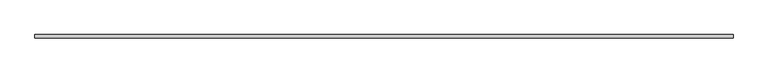
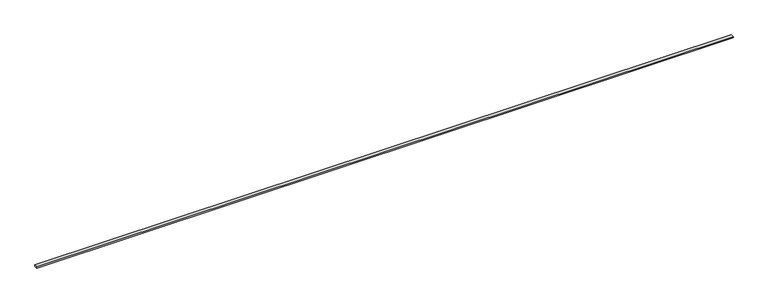
"""IFC4 building model written with IfcOpenShell, lengths in millimetres: beam geometry."""

import ifcopenshell
import ifcopenshell.guid

model = None  # the IFC model being written
_history = None  # IfcOwnerHistory: only IFC2X3 demands one
_inside = {}  # id of a spatial element -> (the spatial element, [elements in it])
_under = {}  # id of a project, library or spatial element -> (it, [spatial elements below it])
_declared = {}  # id of a project -> (the project, [libraries it declares])
_typed = {}  # id of a type object -> (the type object, [elements of that type])
_made_of = {}  # id of a material, layer set ... -> (it, [elements and type objects made of it])


def new_model(schema):
    """Start an empty IFC model of exactly this schema.

    Asked for "IFC4X3", IfcOpenShell would pick the latest addendum, in which some entities
    have other attributes; the version numbers below select the first issue.
    IFC2X3 requires an IfcOwnerHistory on every rooted entity: one is made here for all.
    """
    global model, _history
    if schema == "IFC4X3":
        model = ifcopenshell.file(schema_version=(4, 3, 0, 0))
    else:
        model = ifcopenshell.file(schema=schema)
    _inside.clear()
    _under.clear()
    _declared.clear()
    _typed.clear()
    _made_of.clear()
    _history = None
    if model.schema == "IFC2X3":
        org = make("IfcOrganization", Name="unknown")
        user = make(
            "IfcPersonAndOrganization",
            ThePerson=make("IfcPerson", FamilyName="unknown"),
            TheOrganization=org,
        )
        app = make(
            "IfcApplication",
            ApplicationDeveloper=org,
            Version="unknown",
            ApplicationFullName="unknown",
            ApplicationIdentifier="unknown",
        )
        _history = make(
            "IfcOwnerHistory",
            OwningUser=user,
            OwningApplication=app,
            ChangeAction="ADDED",
            CreationDate=0,
        )
    return model


def make(cls, **values):
    """One entity of the class cls with the attributes given. An attribute that is None is left unset."""
    return model.create_entity(
        cls, **{name: value for name, value in values.items() if value is not None}
    )


def rooted(cls, **values):
    """An entity with a GlobalId (a new one), such as an element, a storey or a relation."""
    return make(cls, GlobalId=ifcopenshell.guid.new(), OwnerHistory=_history, **values)


def si_unit(unit_type, name, prefix=None):
    """IfcSIUnit, for example si_unit("LENGTHUNIT", "METRE", prefix="MILLI")."""
    return make("IfcSIUnit", UnitType=unit_type, Prefix=prefix, Name=name)


def assignment(units):
    """IfcUnitAssignment: the units of a project."""
    return None if units is None else make("IfcUnitAssignment", Units=units)


def point(xyz):
    """IfcCartesianPoint."""
    return None if xyz is None else make("IfcCartesianPoint", Coordinates=xyz)


def direction(xyz):
    """IfcDirection."""
    return None if xyz is None else make("IfcDirection", DirectionRatios=xyz)


def frame(location, z_axis=None, x_axis=None):
    """IfcAxis2Placement3D, a coordinate frame: its origin and axes. An axis left out is left unset."""
    return make(
        "IfcAxis2Placement3D",
        Location=point(location),
        Axis=direction(z_axis),
        RefDirection=direction(x_axis),
    )


def origin():
    """The frame at (0, 0, 0) with its axes left unset."""
    return frame((0.0, 0.0, 0.0))


def place(relative_to, where):
    """IfcLocalPlacement: puts the frame where relative to a parent placement (None: the world)."""
    return make(
        "IfcLocalPlacement", PlacementRelTo=relative_to, RelativePlacement=where
    )


def context(
    kind, dimensions, precision=None, world=None, true_north=None, identifier=None
):
    """IfcGeometricRepresentationContext, for example the 3D "Model" context."""
    return make(
        "IfcGeometricRepresentationContext",
        ContextIdentifier=identifier,
        ContextType=kind,
        CoordinateSpaceDimension=dimensions,
        Precision=precision,
        WorldCoordinateSystem=world,
        TrueNorth=true_north,
    )


def project(units=None, contexts=None):
    """IfcProject with its units and contexts."""
    return rooted(
        "IfcProject",
        Name="project",
        RepresentationContexts=contexts,
        UnitsInContext=assignment(units),
    )


def spatial(cls, under=None, at=None, **own):
    """A site, building, storey or space (cls), placed at a placement, below another one or the project."""
    s = rooted(cls, ObjectPlacement=at, **own)
    if under is not None:
        _under.setdefault(under.id(), (under, []))[1].append(s)
    return s


def polyline(points):
    """IfcPolyline through the points."""
    return make("IfcPolyline", Points=[point(p) for p in points])


def outline(outer, holes=None, kind="AREA"):
    """IfcArbitraryClosedProfileDef: a profile drawn as a closed curve; with holes, ...WithVoids."""
    if holes is None:
        return make("IfcArbitraryClosedProfileDef", ProfileType=kind, OuterCurve=outer)
    return make(
        "IfcArbitraryProfileDefWithVoids",
        ProfileType=kind,
        OuterCurve=outer,
        InnerCurves=holes,
    )


def extrude(swept, where, along, depth):
    """IfcExtrudedAreaSolid: the profile swept, set in the frame where, extruded along a direction by depth."""
    return make(
        "IfcExtrudedAreaSolid",
        SweptArea=swept,
        Position=where,
        ExtrudedDirection=direction(along),
        Depth=depth,
    )


def shape(context_of_items, identifier, shape_type, items):
    """IfcShapeRepresentation: the items that make up one representation, for example the "Body"."""
    return make(
        "IfcShapeRepresentation",
        ContextOfItems=context_of_items,
        RepresentationIdentifier=identifier,
        RepresentationType=shape_type,
        Items=items,
    )


def source(mapping_origin, context_of_items, identifier, shape_type, items):
    """IfcRepresentationMap: a shape defined once, which mapped items show again and again."""
    return make(
        "IfcRepresentationMap",
        MappingOrigin=mapping_origin,
        MappedRepresentation=shape(context_of_items, identifier, shape_type, items),
    )


def transform(
    local_origin,
    x_axis=None,
    y_axis=None,
    z_axis=None,
    scale=None,
    scale2=None,
    scale3=None,
    uniform=True,
):
    """IfcCartesianTransformationOperator3D, or its non-uniform kind. x_axis, y_axis, z_axis: its Axis1, 2, 3."""
    if uniform:
        return make(
            "IfcCartesianTransformationOperator3D",
            Axis1=direction(x_axis),
            Axis2=direction(y_axis),
            LocalOrigin=point(local_origin),
            Scale=scale,
            Axis3=direction(z_axis),
        )
    return make(
        "IfcCartesianTransformationOperator3DnonUniform",
        Axis1=direction(x_axis),
        Axis2=direction(y_axis),
        LocalOrigin=point(local_origin),
        Scale=scale,
        Axis3=direction(z_axis),
        Scale2=scale2,
        Scale3=scale3,
    )


def mapped(mapping_source, mapping_target):
    """IfcMappedItem: shows the shape of a source again, moved by a transform."""
    return make(
        "IfcMappedItem", MappingSource=mapping_source, MappingTarget=mapping_target
    )


def made_of(thing, what):
    """Note that an element or type object is made of a material, layer set ...; save() writes the relation."""
    if what is not None:
        _made_of.setdefault(what.id(), (what, []))[1].append(thing)
    return thing


def element(
    cls,
    number,
    at=None,
    inside=None,
    cuts=None,
    type_object=None,
    material=None,
    context=None,
    identifier="Body",
    shape_type=None,
    held_by="IfcProductDefinitionShape",
    body=None,
    shapes=None,
    **own,
):
    """One element of the class cls, such as IfcWall. Its Tag is "e" and its number.

    at: its placement. inside: the storey or other place that contains it. cuts: it is an
    opening in that element (IfcRelVoidsElement). A single representation is given by context,
    identifier, shape_type and body (its items); several are given by shapes. held_by: the class
    of the entity that holds the representations. save() writes the other relations.
    """
    e = rooted(cls, Tag="e%d" % number, ObjectPlacement=at, **own)
    if body is not None:
        shapes = [shape(context, identifier, shape_type, body)]
    if shapes is not None:
        e.Representation = make(held_by, Representations=shapes)
    if inside is not None:
        _inside.setdefault(inside.id(), (inside, []))[1].append(e)
    if cuts is not None:
        rooted(
            "IfcRelVoidsElement", RelatingBuildingElement=cuts, RelatedOpeningElement=e
        )
    if type_object is not None:
        _typed.setdefault(type_object.id(), (type_object, []))[1].append(e)
    return made_of(e, material)


def aggregate(whole, parts):
    """IfcRelAggregates: a whole, such as a stair, and the parts it consists of."""
    return rooted("IfcRelAggregates", RelatingObject=whole, RelatedObjects=parts)


def save(model, path):
    """Write the relations noted so far, then the file.

    IfcRelAggregates (storeys below a building ...), IfcRelContainedInSpatialStructure (elements
    in a storey), IfcRelDefinesByType, IfcRelAssociatesMaterial and IfcRelDeclares: one each for
    every whole, place, type object, material and project.
    """
    for whole, parts in _under.values():
        aggregate(whole, parts)
    for where, things in _inside.values():
        rooted(
            "IfcRelContainedInSpatialStructure",
            RelatedElements=things,
            RelatingStructure=where,
        )
    for kind, things in _typed.values():
        rooted("IfcRelDefinesByType", RelatedObjects=things, RelatingType=kind)
    for what, things in _made_of.values():
        rooted("IfcRelAssociatesMaterial", RelatedObjects=things, RelatingMaterial=what)
    for by, libraries in _declared.values():
        rooted("IfcRelDeclares", RelatingContext=by, RelatedDefinitions=libraries)
    model.write(path)


def beam_cf22baf7(model_context):
    return source(origin(), model_context, "Body", "SweptSolid", [
        extrude(outline(polyline([(4850.0, -22.5), (-4850.0, -22.5), (-4850.0, 22.5), (4850.0, 22.5), (4850.0, -22.5)])), frame((0.0, 0.0, -9.0), z_axis=(0.0, 0.0, 1.0), x_axis=(1.0, 0.0, 0.0)), (0.0, 0.0, 1.0), 18.0),
    ])


if __name__ == "__main__":
    model = new_model("IFC4")
    model_context = context("Model", 3, world=origin())
    ifc_project = project(units=[si_unit("LENGTHUNIT", "METRE", prefix="MILLI")], contexts=[model_context])
    site = spatial("IfcSite", under=ifc_project)
    building = spatial("IfcBuilding", under=site)
    placement = place(None, origin())
    beam_shape = beam_cf22baf7(model_context)
    element("IfcBeam", 1, at=placement, inside=building, context=model_context, shape_type="MappedRepresentation", body=[
        mapped(beam_shape, transform((0.0, 0.0, 0.0), x_axis=(1.0, 0.0, 0.0), y_axis=(0.0, 1.0, 0.0), z_axis=(0.0, 0.0, 1.0))),
    ])
    save(model, "model.ifc")
